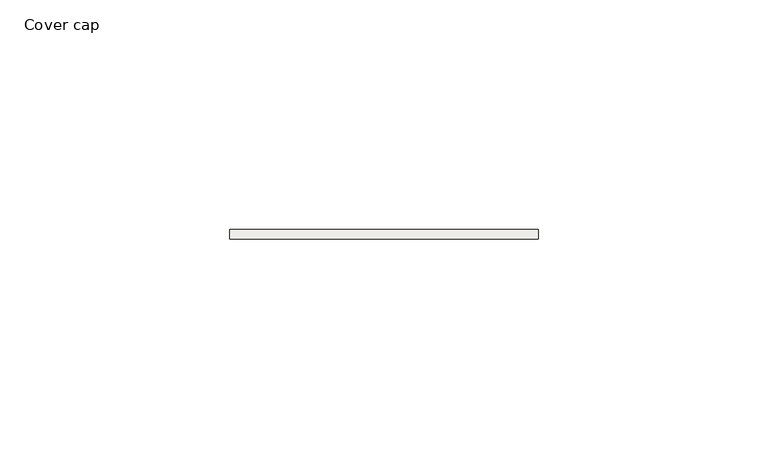
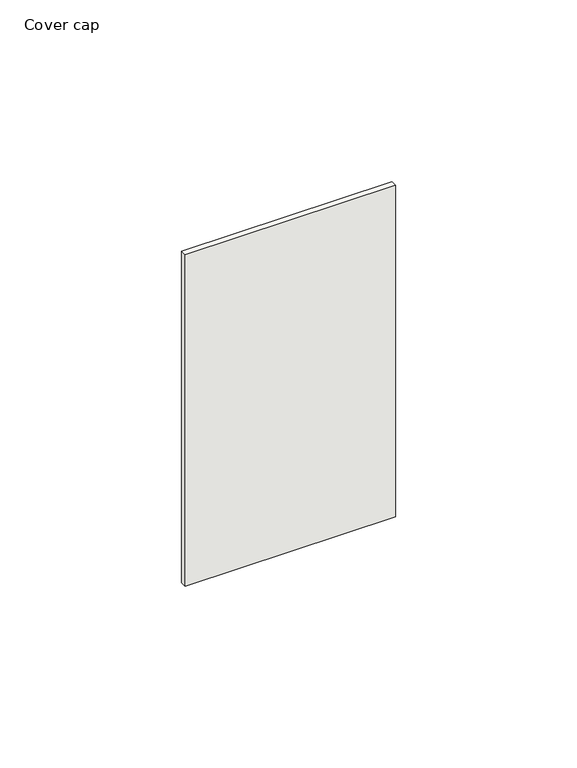
"""IFC4 building model written with IfcOpenShell, lengths in millimetres: covering geometry, Cover cap."""

import ifcopenshell
import ifcopenshell.guid

model = None  # the IFC model being written
_history = None  # IfcOwnerHistory: only IFC2X3 demands one
_inside = {}  # id of a spatial element -> (the spatial element, [elements in it])
_under = {}  # id of a project, library or spatial element -> (it, [spatial elements below it])
_declared = {}  # id of a project -> (the project, [libraries it declares])
_typed = {}  # id of a type object -> (the type object, [elements of that type])
_made_of = {}  # id of a material, layer set ... -> (it, [elements and type objects made of it])


def new_model(schema):
    """Start an empty IFC model of exactly this schema.

    Asked for "IFC4X3", IfcOpenShell would pick the latest addendum, in which some entities
    have other attributes; the version numbers below select the first issue.
    IFC2X3 requires an IfcOwnerHistory on every rooted entity: one is made here for all.
    """
    global model, _history
    if schema == "IFC4X3":
        model = ifcopenshell.file(schema_version=(4, 3, 0, 0))
    else:
        model = ifcopenshell.file(schema=schema)
    _inside.clear()
    _under.clear()
    _declared.clear()
    _typed.clear()
    _made_of.clear()
    _history = None
    if model.schema == "IFC2X3":
        org = make("IfcOrganization", Name="unknown")
        user = make(
            "IfcPersonAndOrganization",
            ThePerson=make("IfcPerson", FamilyName="unknown"),
            TheOrganization=org,
        )
        app = make(
            "IfcApplication",
            ApplicationDeveloper=org,
            Version="unknown",
            ApplicationFullName="unknown",
            ApplicationIdentifier="unknown",
        )
        _history = make(
            "IfcOwnerHistory",
            OwningUser=user,
            OwningApplication=app,
            ChangeAction="ADDED",
            CreationDate=0,
        )
    return model


def make(cls, **values):
    """One entity of the class cls with the attributes given. An attribute that is None is left unset."""
    return model.create_entity(
        cls, **{name: value for name, value in values.items() if value is not None}
    )


def rooted(cls, **values):
    """An entity with a GlobalId (a new one), such as an element, a storey or a relation."""
    return make(cls, GlobalId=ifcopenshell.guid.new(), OwnerHistory=_history, **values)


def si_unit(unit_type, name, prefix=None):
    """IfcSIUnit, for example si_unit("LENGTHUNIT", "METRE", prefix="MILLI")."""
    return make("IfcSIUnit", UnitType=unit_type, Prefix=prefix, Name=name)


def assignment(units):
    """IfcUnitAssignment: the units of a project."""
    return None if units is None else make("IfcUnitAssignment", Units=units)


def point(xyz):
    """IfcCartesianPoint."""
    return None if xyz is None else make("IfcCartesianPoint", Coordinates=xyz)


def direction(xyz):
    """IfcDirection."""
    return None if xyz is None else make("IfcDirection", DirectionRatios=xyz)


def frame(location, z_axis=None, x_axis=None):
    """IfcAxis2Placement3D, a coordinate frame: its origin and axes. An axis left out is left unset."""
    return make(
        "IfcAxis2Placement3D",
        Location=point(location),
        Axis=direction(z_axis),
        RefDirection=direction(x_axis),
    )


def origin():
    """The frame at (0, 0, 0) with its axes left unset."""
    return frame((0.0, 0.0, 0.0))


def place(relative_to, where):
    """IfcLocalPlacement: puts the frame where relative to a parent placement (None: the world)."""
    return make(
        "IfcLocalPlacement", PlacementRelTo=relative_to, RelativePlacement=where
    )


def context(
    kind, dimensions, precision=None, world=None, true_north=None, identifier=None
):
    """IfcGeometricRepresentationContext, for example the 3D "Model" context."""
    return make(
        "IfcGeometricRepresentationContext",
        ContextIdentifier=identifier,
        ContextType=kind,
        CoordinateSpaceDimension=dimensions,
        Precision=precision,
        WorldCoordinateSystem=world,
        TrueNorth=true_north,
    )


def project(units=None, contexts=None):
    """IfcProject with its units and contexts."""
    return rooted(
        "IfcProject",
        Name="project",
        RepresentationContexts=contexts,
        UnitsInContext=assignment(units),
    )


def spatial(cls, under=None, at=None, **own):
    """A site, building, storey or space (cls), placed at a placement, below another one or the project."""
    s = rooted(cls, ObjectPlacement=at, **own)
    if under is not None:
        _under.setdefault(under.id(), (under, []))[1].append(s)
    return s


def polyline(points):
    """IfcPolyline through the points."""
    return make("IfcPolyline", Points=[point(p) for p in points])


def outline(outer, holes=None, kind="AREA"):
    """IfcArbitraryClosedProfileDef: a profile drawn as a closed curve; with holes, ...WithVoids."""
    if holes is None:
        return make("IfcArbitraryClosedProfileDef", ProfileType=kind, OuterCurve=outer)
    return make(
        "IfcArbitraryProfileDefWithVoids",
        ProfileType=kind,
        OuterCurve=outer,
        InnerCurves=holes,
    )


def extrude(swept, where, along, depth):
    """IfcExtrudedAreaSolid: the profile swept, set in the frame where, extruded along a direction by depth."""
    return make(
        "IfcExtrudedAreaSolid",
        SweptArea=swept,
        Position=where,
        ExtrudedDirection=direction(along),
        Depth=depth,
    )


def shape(context_of_items, identifier, shape_type, items):
    """IfcShapeRepresentation: the items that make up one representation, for example the "Body"."""
    return make(
        "IfcShapeRepresentation",
        ContextOfItems=context_of_items,
        RepresentationIdentifier=identifier,
        RepresentationType=shape_type,
        Items=items,
    )


def source(mapping_origin, context_of_items, identifier, shape_type, items):
    """IfcRepresentationMap: a shape defined once, which mapped items show again and again."""
    return make(
        "IfcRepresentationMap",
        MappingOrigin=mapping_origin,
        MappedRepresentation=shape(context_of_items, identifier, shape_type, items),
    )


def transform(
    local_origin,
    x_axis=None,
    y_axis=None,
    z_axis=None,
    scale=None,
    scale2=None,
    scale3=None,
    uniform=True,
):
    """IfcCartesianTransformationOperator3D, or its non-uniform kind. x_axis, y_axis, z_axis: its Axis1, 2, 3."""
    if uniform:
        return make(
            "IfcCartesianTransformationOperator3D",
            Axis1=direction(x_axis),
            Axis2=direction(y_axis),
            LocalOrigin=point(local_origin),
            Scale=scale,
            Axis3=direction(z_axis),
        )
    return make(
        "IfcCartesianTransformationOperator3DnonUniform",
        Axis1=direction(x_axis),
        Axis2=direction(y_axis),
        LocalOrigin=point(local_origin),
        Scale=scale,
        Axis3=direction(z_axis),
        Scale2=scale2,
        Scale3=scale3,
    )


def mapped(mapping_source, mapping_target):
    """IfcMappedItem: shows the shape of a source again, moved by a transform."""
    return make(
        "IfcMappedItem", MappingSource=mapping_source, MappingTarget=mapping_target
    )


def made_of(thing, what):
    """Note that an element or type object is made of a material, layer set ...; save() writes the relation."""
    if what is not None:
        _made_of.setdefault(what.id(), (what, []))[1].append(thing)
    return thing


def element(
    cls,
    number,
    at=None,
    inside=None,
    cuts=None,
    type_object=None,
    material=None,
    context=None,
    identifier="Body",
    shape_type=None,
    held_by="IfcProductDefinitionShape",
    body=None,
    shapes=None,
    **own,
):
    """One element of the class cls, such as IfcWall. Its Tag is "e" and its number.

    at: its placement. inside: the storey or other place that contains it. cuts: it is an
    opening in that element (IfcRelVoidsElement). A single representation is given by context,
    identifier, shape_type and body (its items); several are given by shapes. held_by: the class
    of the entity that holds the representations. save() writes the other relations.
    """
    e = rooted(cls, Tag="e%d" % number, ObjectPlacement=at, **own)
    if body is not None:
        shapes = [shape(context, identifier, shape_type, body)]
    if shapes is not None:
        e.Representation = make(held_by, Representations=shapes)
    if inside is not None:
        _inside.setdefault(inside.id(), (inside, []))[1].append(e)
    if cuts is not None:
        rooted(
            "IfcRelVoidsElement", RelatingBuildingElement=cuts, RelatedOpeningElement=e
        )
    if type_object is not None:
        _typed.setdefault(type_object.id(), (type_object, []))[1].append(e)
    return made_of(e, material)


def aggregate(whole, parts):
    """IfcRelAggregates: a whole, such as a stair, and the parts it consists of."""
    return rooted("IfcRelAggregates", RelatingObject=whole, RelatedObjects=parts)


def save(model, path):
    """Write the relations noted so far, then the file.

    IfcRelAggregates (storeys below a building ...), IfcRelContainedInSpatialStructure (elements
    in a storey), IfcRelDefinesByType, IfcRelAssociatesMaterial and IfcRelDeclares: one each for
    every whole, place, type object, material and project.
    """
    for whole, parts in _under.values():
        aggregate(whole, parts)
    for where, things in _inside.values():
        rooted(
            "IfcRelContainedInSpatialStructure",
            RelatedElements=things,
            RelatingStructure=where,
        )
    for kind, things in _typed.values():
        rooted("IfcRelDefinesByType", RelatedObjects=things, RelatingType=kind)
    for what, things in _made_of.values():
        rooted("IfcRelAssociatesMaterial", RelatedObjects=things, RelatingMaterial=what)
    for by, libraries in _declared.values():
        rooted("IfcRelDeclares", RelatingContext=by, RelatedDefinitions=libraries)
    model.write(path)


def cover_cap_2b1f2df0(model_context):
    return source(origin(), model_context, "Body", "SweptSolid", [
        extrude(outline(polyline([(67.0, 0.0), (67.0, -2.0), (0.0, -2.0), (0.0, 0.0), (67.0, 0.0)])), frame((0.0, 0.0, -2.0), z_axis=(0.0, 0.0, 1.0), x_axis=(1.0, 0.0, 0.0)), (0.0, 0.0, 1.0), 111.5),
    ])


if __name__ == "__main__":
    model = new_model("IFC4")
    model_context = context("Model", 3, world=origin())
    ifc_project = project(units=[si_unit("LENGTHUNIT", "METRE", prefix="MILLI")], contexts=[model_context])
    site = spatial("IfcSite", under=ifc_project)
    building = spatial("IfcBuilding", under=site)
    placement = place(None, origin())
    cover_cap_shape = cover_cap_2b1f2df0(model_context)
    element("IfcCovering", 1, ObjectType="Cover cap", at=placement, inside=building, context=model_context, shape_type="MappedRepresentation", body=[
        mapped(cover_cap_shape, transform((0.0, 0.0, 0.0), x_axis=(1.0, 0.0, 0.0), y_axis=(0.0, 1.0, 0.0), z_axis=(0.0, 0.0, 1.0))),
    ])
    save(model, "model.ifc")
